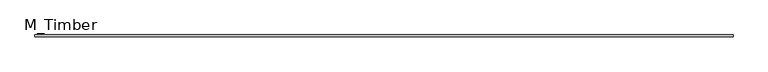
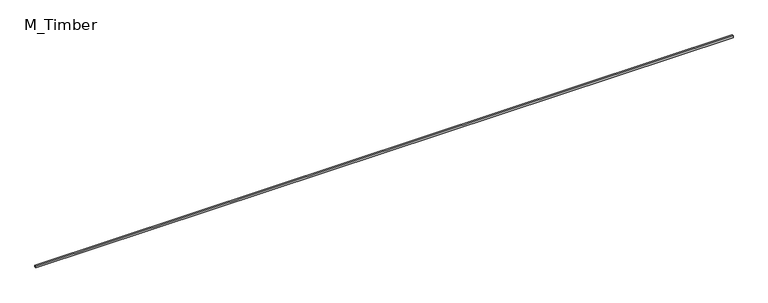
"""IFC4 building model written with IfcOpenShell, lengths in millimetres: beam geometry, M_Timber."""

from ifc_helpers import new_model, si_unit, frame, origin, place, context, project, spatial, polyline, outline, extrude, source, transform, mapped, element, save


def m_timber_1877239a(model_context):
    return source(origin(), model_context, "Body", "SweptSolid", [
        extrude(outline(polyline([(8108.0243323, 20.0), (8108.0243323, -20.0), (-8108.0243323, -20.0), (-8108.0243323, 20.0), (8108.0243323, 20.0)])), frame((0.0, 0.0, -20.0), z_axis=(0.0, 0.0, 1.0), x_axis=(1.0, 0.0, 0.0)), (0.0, 0.0, 1.0), 40.0),
    ])


if __name__ == "__main__":
    model = new_model("IFC4")
    model_context = context("Model", 3, world=origin())
    ifc_project = project(units=[si_unit("LENGTHUNIT", "METRE", prefix="MILLI")], contexts=[model_context])
    site = spatial("IfcSite", under=ifc_project)
    building = spatial("IfcBuilding", under=site)
    placement = place(None, origin())
    m_timber_shape = m_timber_1877239a(model_context)
    element("IfcBeam", 1, ObjectType="M_Timber", at=placement, inside=building, context=model_context, shape_type="MappedRepresentation", body=[
        mapped(m_timber_shape, transform((0.0, 0.0, 0.0), x_axis=(1.0, 0.0, 0.0), y_axis=(0.0, 1.0, 0.0), z_axis=(0.0, 0.0, 1.0))),
    ])
    save(model, "model.ifc")
